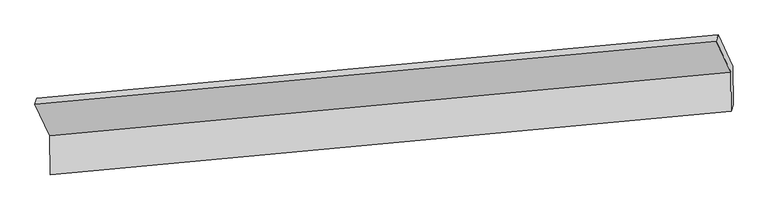
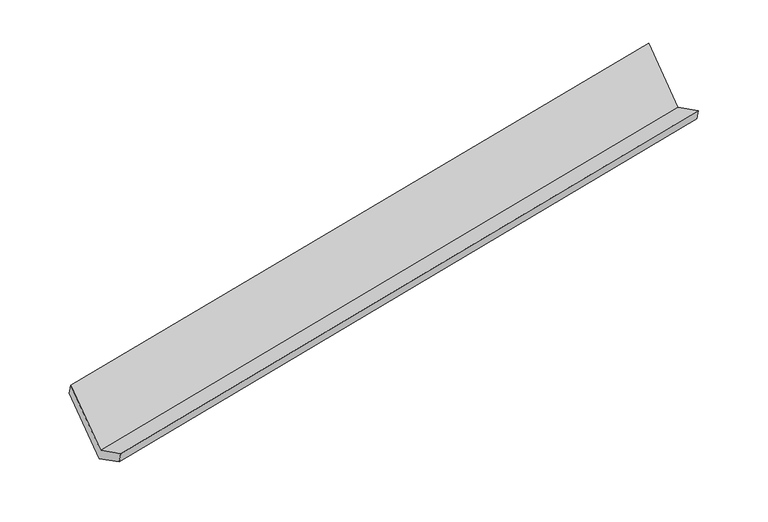
"""IFC4 building model written with IfcOpenShell, lengths in millimetres: proxy geometry."""

from ifc_helpers import new_model, si_unit, origin, place, context, project, spatial, faceted_brep, source, transform, mapped, element, save


def generic_models_c6e2ba91(model_context):
    return source(origin(), model_context, "Body", "Brep", [
        faceted_brep([(-6163.0498938, -1513.4127073, 1726.6830603), (-6022.1537277, -1809.3893861, 1136.4899208), (373.1747803, -1212.0175608, 2336.3761401), (234.3656056, -920.424967, 2917.8271823), (-6020.5502193, -2176.1313647, 1320.7906077), (374.7782888, -1578.7595394, 2520.676827), (-6001.1833414, -2113.8169723, 1185.5219006), (394.1451666, -1516.445147, 2385.4081199), (-6002.7586739, -1753.5191742, 1004.4596401), (392.5698342, -1156.1473489, 2204.3458594), (-6144.4922404, -1455.7833914, 1598.1605258), (252.923259, -862.7956512, 2789.3046478)], [[[0, 1, 2, 3]], [[1, 4, 5, 2]], [[4, 6, 7, 5]], [[6, 8, 9, 7]], [[8, 10, 11, 9]], [[10, 0, 3, 11]], [[9, 11, 3, 2, 5, 7]], [[0, 10, 8, 6, 4, 1]]]),
    ])


if __name__ == "__main__":
    model = new_model("IFC4")
    model_context = context("Model", 3, world=origin())
    ifc_project = project(units=[si_unit("LENGTHUNIT", "METRE", prefix="MILLI")], contexts=[model_context])
    site = spatial("IfcSite", under=ifc_project)
    building = spatial("IfcBuilding", under=site)
    placement = place(None, origin())
    generic_models_shape = generic_models_c6e2ba91(model_context)
    element("IfcBuildingElementProxy", 1, Name="Generic Models", at=placement, inside=building, context=model_context, shape_type="MappedRepresentation", body=[
        mapped(generic_models_shape, transform((0.0, 0.0, 0.0), x_axis=(1.0, 0.0, 0.0), y_axis=(0.0, 1.0, 0.0), z_axis=(0.0, 0.0, 1.0))),
    ])
    save(model, "model.ifc")
